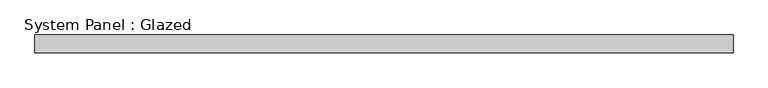
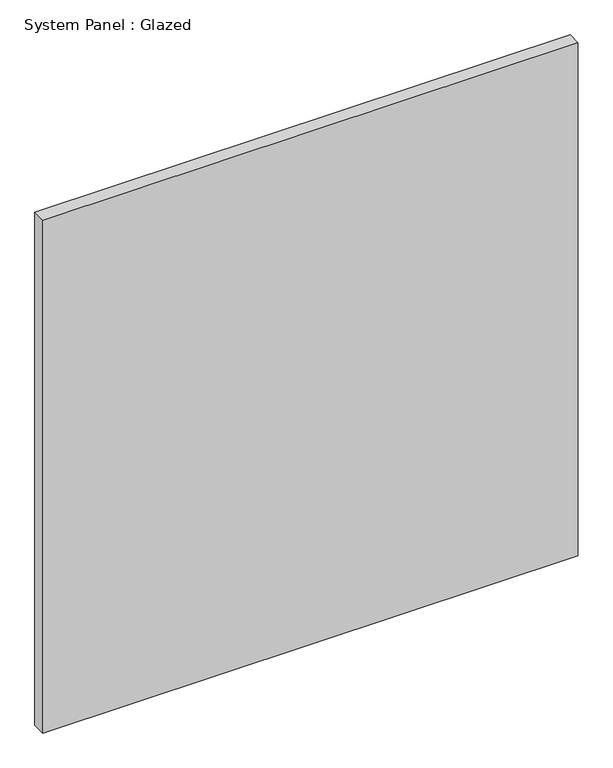
"""IFC4 building model written with IfcOpenShell, lengths in millimetres: plate geometry, System Panel : Glazed."""

from ifc_helpers import new_model, si_unit, origin, origin_with_axes, place, context, project, spatial, polyline, outline, extrude, source, transform, mapped, element, save


def system_panel_glazed_dbc14353(model_context):
    return source(origin(), model_context, "Body", "SweptSolid", [
        extrude(outline(polyline([(501.65, -12.7), (-501.65, -12.7), (-501.65, 12.7), (501.65, 12.7), (501.65, -12.7)])), origin_with_axes(), (0.0, 0.0, 1.0), 1016.0),
    ])


if __name__ == "__main__":
    model = new_model("IFC4")
    model_context = context("Model", 3, world=origin())
    ifc_project = project(units=[si_unit("LENGTHUNIT", "METRE", prefix="MILLI")], contexts=[model_context])
    site = spatial("IfcSite", under=ifc_project)
    building = spatial("IfcBuilding", under=site)
    placement = place(None, origin())
    system_panel_glazed_shape = system_panel_glazed_dbc14353(model_context)
    element("IfcPlate", 1, ObjectType="System Panel : Glazed", at=placement, inside=building, context=model_context, shape_type="MappedRepresentation", body=[
        mapped(system_panel_glazed_shape, transform((0.0, 0.0, 0.0), x_axis=(1.0, 0.0, 0.0), y_axis=(0.0, 1.0, 0.0), z_axis=(0.0, 0.0, 1.0))),
    ])
    save(model, "model.ifc")
